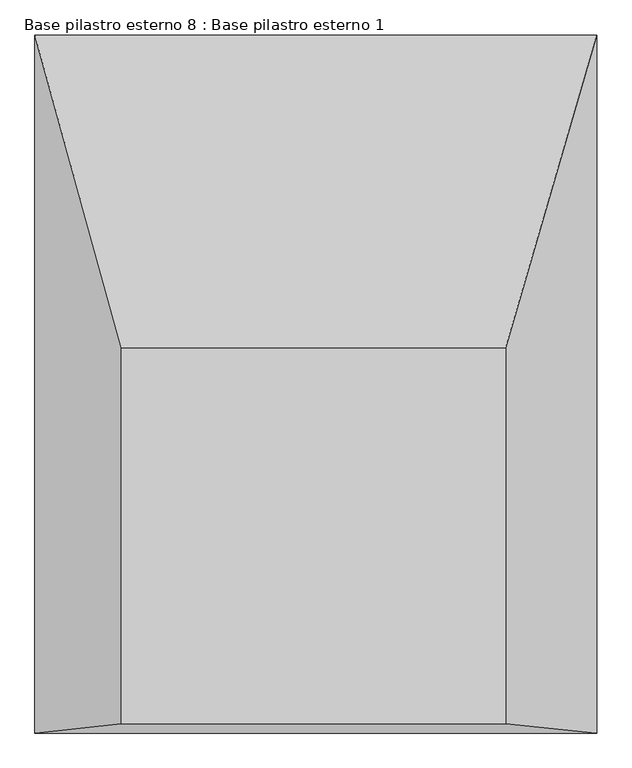
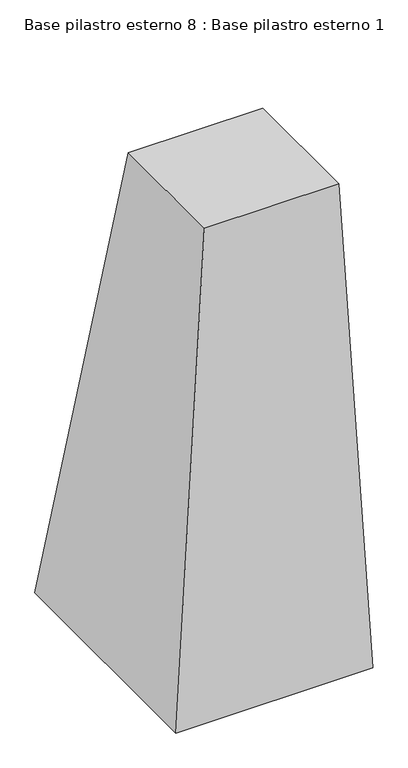
"""IFC4 building model written with IfcOpenShell, lengths in millimetres: column geometry, Base pilastro esterno 8 : Base pilastro esterno 1."""

from ifc_helpers import new_model, si_unit, origin, place, context, project, spatial, faceted_brep, source, transform, mapped, element, save


def base_pilastro_esterno_8_base_pilastro_esterno_1_e1f3e957(model_context):
    return source(origin(), model_context, "Body", "Brep", [
        faceted_brep([(66347.3144333, 123725.338663, 110.4186824), (66950.3096391, 123725.338663, 110.4186824), (66950.3096391, 124315.5945334, 110.4186824), (66347.3144333, 124315.5945334, 110.4186824), (66211.4281898, 123710.8677666, -2226.4963086), (66211.4281898, 124806.47127, -2226.4963086), (67093.2768298, 124806.47127, -2226.4963086), (67093.2768298, 123710.8677666, -2226.4963086)], [[[0, 1, 2, 3]], [[4, 5, 6, 7]], [[4, 7, 1, 0]], [[7, 6, 2, 1]], [[6, 5, 3, 2]], [[5, 4, 0, 3]]]),
    ])


if __name__ == "__main__":
    model = new_model("IFC4")
    model_context = context("Model", 3, world=origin())
    ifc_project = project(units=[si_unit("LENGTHUNIT", "METRE", prefix="MILLI")], contexts=[model_context])
    site = spatial("IfcSite", under=ifc_project)
    building = spatial("IfcBuilding", under=site)
    placement = place(None, origin())
    base_pilastro_esterno_8_base_pilastro_esterno_1_shape = base_pilastro_esterno_8_base_pilastro_esterno_1_e1f3e957(model_context)
    element("IfcColumn", 1, ObjectType="Base pilastro esterno 8 : Base pilastro esterno 1", at=placement, inside=building, context=model_context, shape_type="MappedRepresentation", body=[
        mapped(base_pilastro_esterno_8_base_pilastro_esterno_1_shape, transform((0.0, 0.0, 0.0), x_axis=(1.0, 0.0, 0.0), y_axis=(0.0, 1.0, 0.0), z_axis=(0.0, 0.0, 1.0))),
    ])
    save(model, "model.ifc")
